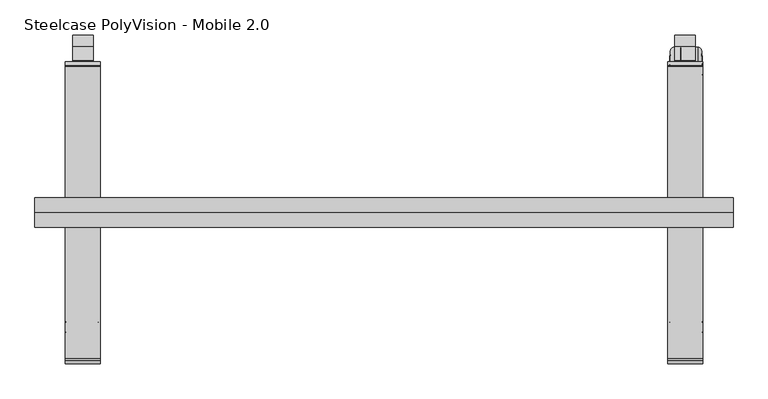
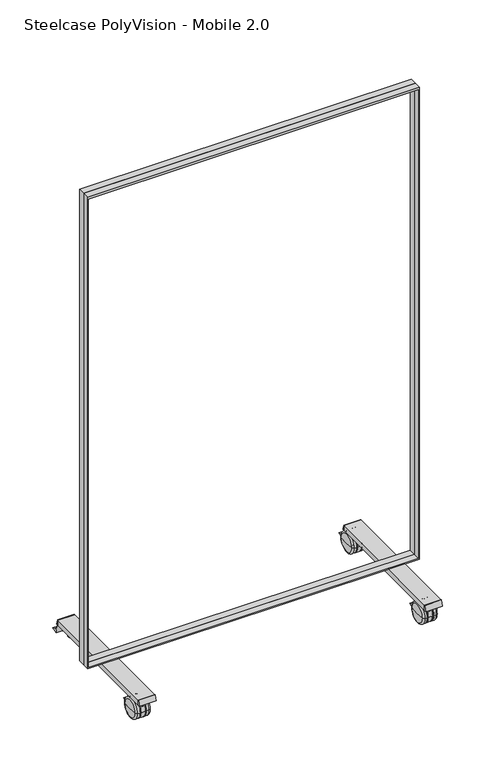
"""IFC4 building model written with IfcOpenShell, lengths in millimetres: furniture geometry, Steelcase PolyVision - Mobile 2.0."""

from ifc_helpers import new_model, si_unit, point, frame, frame_2d, origin, place, context, project, spatial, polyline, circle_curve, ellipse_curve, trimmed, segment, composite_curve, outline, extrude, source, transform, mapped, element, save
from ifc_brep_helpers import plane_surface, cylinder_surface, revolved_surface, advanced_brep


def steelcase_polyvision_mobile_2_0_7c7a96f6(model_context):
    return source(origin(), model_context, "Body", "SolidModel", [
        extrude(outline(polyline([(-252.1485489, 112.2079402), (-250.0820584, 112.2079402), (-250.0820584, 92.9149329), (-258.1616607, 92.9149329), (-252.1485489, 112.2079402)])), frame((1056.5045286, 0.0, 0.0), z_axis=(1.0, 0.0, 0.0), x_axis=(0.0, 1.0, 0.0)), (0.0, 0.0, 1.0), 59.8998322),
        extrude(outline(polyline([(252.1485489, 112.2079402), (258.1616607, 92.9149329), (250.0820584, 92.9149329), (250.0820584, 112.2079402), (252.1485489, 112.2079402)])), frame((1056.5045286, 0.0, 0.0), z_axis=(1.0, 0.0, 0.0), x_axis=(0.0, 1.0, 0.0)), (0.0, 0.0, 1.0), 59.8998322),
        extrude(outline(polyline([(-252.1485489, 112.2079402), (-250.0820584, 112.2079402), (-250.0820584, 92.9149329), (-258.1616607, 92.9149329), (-252.1485489, 112.2079402)])), frame((26.5956392, 0.0, 0.0), z_axis=(1.0, 0.0, 0.0), x_axis=(0.0, 1.0, 0.0)), (0.0, 0.0, 1.0), 59.8998322),
        extrude(outline(polyline([(252.1485489, 112.2079402), (258.1616607, 92.9149329), (250.0820584, 92.9149329), (250.0820584, 112.2079402), (252.1485489, 112.2079402)])), frame((26.5956392, 0.0, 0.0), z_axis=(1.0, 0.0, 0.0), x_axis=(0.0, 1.0, 0.0)), (0.0, 0.0, 1.0), 59.8998322),
        extrude(outline(polyline([(1904.7330861, 1168.4), (1904.7330861, -25.4), (112.2080129, -25.4), (112.2080129, 1168.4), (1904.7330861, 1168.4)]), holes=[polyline([(1902.5187561, 1164.4976219), (116.502603, 1164.4976219), (116.502603, -21.4954418), (1902.5187561, -21.4954418), (1902.5187561, 1164.4976219)])]), frame((0.0, 0.0, 0.0), z_axis=(0.0, 1.0, 0.0), x_axis=(0.0, 0.0, 1.0)), (0.0, 0.0, 1.0), 25.4),
        extrude(outline(polyline([(1904.7330861, 1168.4), (1904.7330861, -25.4), (112.2080129, -25.4), (112.2080129, 1168.4), (1904.7330861, 1168.4)]), holes=[polyline([(1897.001651, 1164.4976219), (116.502603, 1164.4976219), (116.502603, -21.4954418), (1897.001651, -21.4954418), (1897.001651, 1164.4976219)])]), frame((0.0, -25.4, 0.0), z_axis=(0.0, 1.0, 0.0), x_axis=(0.0, 0.0, 1.0)), (0.0, 0.0, 1.0), 25.4),
        extrude(outline(polyline([(86.4954714, 250.0820584), (86.4954714, -250.0820584), (26.5956392, -250.0820584), (26.5956392, 250.0820584), (86.4954714, 250.0820584)])), frame((0.0, 0.0, 92.9149329), z_axis=(0.0, 0.0, 1.0), x_axis=(1.0, 0.0, 0.0)), (0.0, 0.0, 1.0), 19.2930073),
        extrude(outline(polyline([(1056.5045286, 250.0820584), (1116.4043608, 250.0820584), (1116.4043608, -250.0820584), (1056.5045286, -250.0820584), (1056.5045286, 250.0820584)])), frame((0.0, 0.0, 92.9149329), z_axis=(0.0, 0.0, 1.0), x_axis=(1.0, 0.0, 0.0)), (0.0, 0.0, 1.0), 19.2930073),
        extrude(outline(composite_curve([segment(polyline([(303.5532187, 46.8628085), (283.0863741, 39.4134863)]), True, "CONTINUOUS"), segment(trimmed(circle_curve(frame_2d((242.8244884, 45.2702868)), 40.6856431), [point((283.0863741, 39.4134863))], [point((256.8293865, 83.4695589))], True, "CARTESIAN"), True, "CONTINUOUS"), segment(polyline([(256.8293865, 83.4695589), (259.261698, 85.9018704)]), True, "CONTINUOUS"), segment(trimmed(circle_curve(frame_2d((237.9340917, 43.4522199)), 47.5062061), [point((259.261698, 85.9018704))], [point((284.2824211, 53.8768052))], False, "CARTESIAN"), True, "CONTINUOUS"), segment(polyline([(284.2824211, 53.8768052), (303.5532187, 46.8628085)]), True, "CONTINUOUS")], self_intersect=False)), frame((1069.0294365, 0.0, 0.0), z_axis=(1.0, 0.0, 0.0), x_axis=(0.0, 1.0, 0.0)), (0.0, 0.0, 1.0), 34.4931947),
        extrude(outline(composite_curve([segment(polyline([(-136.9327635, 46.8628085), (-157.3996081, 39.4134863)]), True, "CONTINUOUS"), segment(trimmed(circle_curve(frame_2d((-197.6614938, 45.2702868)), 40.6856431), [point((-157.3996081, 39.4134863))], [point((-183.6565957, 83.4695589))], True, "CARTESIAN"), True, "CONTINUOUS"), segment(polyline([(-183.6565957, 83.4695589), (-181.2242842, 85.9018704)]), True, "CONTINUOUS"), segment(trimmed(circle_curve(frame_2d((-202.5518905, 43.4522199)), 47.5062061), [point((-181.2242842, 85.9018704))], [point((-156.2035611, 53.8768052))], False, "CARTESIAN"), True, "CONTINUOUS"), segment(polyline([(-156.2035611, 53.8768052), (-136.9327635, 46.8628085)]), True, "CONTINUOUS")], self_intersect=False)), frame((1069.0294365, 0.0, 0.0), z_axis=(1.0, 0.0, 0.0), x_axis=(0.0, 1.0, 0.0)), (0.0, 0.0, 1.0), 34.4931947),
        extrude(outline(composite_curve([segment(trimmed(circle_curve(frame_2d((1087.9769057, -219.8764715)), 5.1137798), [point((1093.0906855, -219.8764715))], [point((1082.8631259, -219.8764715))], False, "CARTESIAN"), True, "CONTINUOUS"), segment(trimmed(circle_curve(frame_2d((1087.9769057, -219.8764715)), 5.1137798), [point((1082.8631259, -219.8764715))], [point((1093.0906855, -219.8764715))], False, "CARTESIAN"), True, "CONTINUOUS")], self_intersect=False)), frame((0.0, 0.0, 85.6099876), z_axis=(0.0, 0.0, 1.0), x_axis=(1.0, 0.0, 0.0)), (0.0, 0.0, 1.0), 20.9669875),
        extrude(outline(composite_curve([segment(trimmed(circle_curve(frame_2d((1087.9769057, -219.8764715)), 8.9701889), [point((1096.9470946, -219.8764715))], [point((1079.0067168, -219.8764715))], False, "CARTESIAN"), True, "CONTINUOUS"), segment(trimmed(circle_curve(frame_2d((1087.9769057, -219.8764715)), 8.9701889), [point((1079.0067168, -219.8764715))], [point((1096.9470946, -219.8764715))], False, "CARTESIAN"), True, "CONTINUOUS")], self_intersect=False)), frame((0.0, 0.0, 60.643802), z_axis=(0.0, 0.0, 1.0), x_axis=(1.0, 0.0, 0.0)), (0.0, 0.0, 1.0), 24.9661857),
        advanced_brep(
        [(1059.0212011, -195.8334623, 47.4850861), (1061.2649224, -163.7467523, 47.4850861), (1061.2649224, -227.9201724, 47.4850861), (1067.5994541, -157.8397059, 47.4850861), (1067.5994541, -233.8272188, 47.4850861), (1075.7722753, -157.8397059, 47.4850861), (1075.7722753, -233.8272188, 47.4850861), (1075.7722753, -181.8090681, 47.4850861), (1075.7722753, -209.8578566, 47.4850861), (1078.4605537, -181.8090681, 47.4850861), (1078.4605537, -209.8578566, 47.4850861), (1078.4605537, -158.9018726, 47.4850861), (1078.4605537, -232.7650521, 47.4850861), (1079.5227204, -157.8397059, 47.4850861), (1079.5227204, -233.8272188, 47.4850861), (1095.0162074, -157.8397059, 47.4850861), (1095.0162074, -233.8272188, 47.4850861), (1097.7887281, -160.6122266, 47.4850861), (1097.7887281, -231.0546981, 47.4850861), (1097.7887281, -181.8090681, 47.4850861), (1097.7887281, -209.8578566, 47.4850861), (1100.4741761, -181.8090681, 47.4850861), (1100.4741761, -209.8578566, 47.4850861), (1100.4741761, -157.8397059, 47.4850861), (1100.4741761, -233.8272188, 47.4850861), (1108.2322518, -157.8397059, 47.4850861), (1108.2322518, -233.8272188, 47.4850861), (1114.5667835, -163.7467523, 47.4850861), (1114.5667835, -227.9201724, 47.4850861), (1116.8105049, -195.8334623, 47.4850861)],
        [
            (0, 1),
            (1, 2, circle_curve(frame((1061.2649224, -195.8334623, 47.4850861), z_axis=(-1.0, 0.0, 0.0), x_axis=(0.0, 1.0, 0.0)), 32.0867101)),
            (2, 0),
            (2, 1, circle_curve(frame((1061.2649224, -195.8334623, 47.4850861), z_axis=(-1.0, 0.0, 0.0), x_axis=(0.0, 1.0, 0.0)), 32.0867101)),
            (1, 3, circle_curve(frame((1067.5994541, -164.1897059, 47.4850861), z_axis=(0.0, 0.0, -1.0), x_axis=(-1.0, 0.0, 0.0)), 6.35)),
            (3, 4, circle_curve(frame((1067.5994541, -195.8334623, 47.4850861), z_axis=(-1.0, 0.0, 0.0), x_axis=(0.0, 1.0, 0.0)), 37.9937565)),
            (4, 2, circle_curve(frame((1067.5994541, -227.4772188, 47.4850861), z_axis=(0.0, 0.0, -1.0), x_axis=(-1.0, 0.0, 0.0)), 6.35)),
            (4, 3, circle_curve(frame((1067.5994541, -195.8334623, 47.4850861), z_axis=(-1.0, 0.0, 0.0), x_axis=(0.0, 1.0, 0.0)), 37.9937565)),
            (3, 5),
            (5, 6, circle_curve(frame((1075.7722753, -195.8334623, 47.4850861), z_axis=(-1.0, 0.0, 0.0), x_axis=(0.0, 1.0, 0.0)), 37.9937565)),
            (6, 4),
            (6, 5, circle_curve(frame((1075.7722753, -195.8334623, 47.4850861), z_axis=(-1.0, 0.0, 0.0), x_axis=(0.0, 1.0, 0.0)), 37.9937565)),
            (5, 7),
            (7, 8, circle_curve(frame((1075.7722753, -195.8334623, 47.4850861), z_axis=(-1.0, 0.0, 0.0), x_axis=(0.0, 1.0, 0.0)), 14.0243942)),
            (8, 6),
            (8, 7, circle_curve(frame((1075.7722753, -195.8334623, 47.4850861), z_axis=(-1.0, 0.0, 0.0), x_axis=(0.0, 1.0, 0.0)), 14.0243942)),
            (7, 9),
            (9, 10, circle_curve(frame((1078.4605537, -195.8334623, 47.4850861), z_axis=(-1.0, 0.0, 0.0), x_axis=(0.0, 1.0, 0.0)), 14.0243942)),
            (10, 8),
            (10, 9, circle_curve(frame((1078.4605537, -195.8334623, 47.4850861), z_axis=(-1.0, 0.0, 0.0), x_axis=(0.0, 1.0, 0.0)), 14.0243942)),
            (9, 11),
            (11, 12, circle_curve(frame((1078.4605537, -195.8334623, 47.4850861), z_axis=(-1.0, 0.0, 0.0), x_axis=(0.0, 1.0, 0.0)), 36.9315898)),
            (12, 10),
            (12, 11, circle_curve(frame((1078.4605537, -195.8334623, 47.4850861), z_axis=(-1.0, 0.0, 0.0), x_axis=(0.0, 1.0, 0.0)), 36.9315898)),
            (11, 13, circle_curve(frame((1079.5227204, -158.9018726, 47.4850861), z_axis=(0.0, 0.0, -1.0), x_axis=(-1.0, 0.0, 0.0)), 1.0621667)),
            (13, 14, circle_curve(frame((1079.5227204, -195.8334623, 47.4850861), z_axis=(-1.0, 0.0, 0.0), x_axis=(0.0, 1.0, 0.0)), 37.9937565)),
            (14, 12, circle_curve(frame((1079.5227204, -232.7650521, 47.4850861), z_axis=(0.0, 0.0, -1.0), x_axis=(-1.0, 0.0, 0.0)), 1.0621667)),
            (14, 13, circle_curve(frame((1079.5227204, -195.8334623, 47.4850861), z_axis=(-1.0, 0.0, 0.0), x_axis=(0.0, 1.0, 0.0)), 37.9937565)),
            (13, 15),
            (15, 16, circle_curve(frame((1095.0162074, -195.8334623, 47.4850861), z_axis=(-1.0, 0.0, 0.0), x_axis=(0.0, 1.0, 0.0)), 37.9937565)),
            (16, 14),
            (16, 15, circle_curve(frame((1095.0162074, -195.8334623, 47.4850861), z_axis=(-1.0, 0.0, 0.0), x_axis=(0.0, 1.0, 0.0)), 37.9937565)),
            (15, 17, circle_curve(frame((1095.0162074, -160.6122266, 47.4850861), z_axis=(0.0, 0.0, -1.0), x_axis=(-1.0, 0.0, 0.0)), 2.7725208)),
            (17, 18, circle_curve(frame((1097.7887281, -195.8334623, 47.4850861), z_axis=(-1.0, 0.0, 0.0), x_axis=(0.0, 1.0, 0.0)), 35.2212357)),
            (18, 16, circle_curve(frame((1095.0162074, -231.0546981, 47.4850861), z_axis=(0.0, 0.0, -1.0), x_axis=(-1.0, 0.0, 0.0)), 2.7725208)),
            (18, 17, circle_curve(frame((1097.7887281, -195.8334623, 47.4850861), z_axis=(-1.0, 0.0, 0.0), x_axis=(0.0, 1.0, 0.0)), 35.2212357)),
            (17, 19),
            (19, 20, circle_curve(frame((1097.7887281, -195.8334623, 47.4850861), z_axis=(-1.0, 0.0, 0.0), x_axis=(0.0, 1.0, 0.0)), 14.0243942)),
            (20, 18),
            (20, 19, circle_curve(frame((1097.7887281, -195.8334623, 47.4850861), z_axis=(-1.0, 0.0, 0.0), x_axis=(0.0, 1.0, 0.0)), 14.0243942)),
            (19, 21),
            (21, 22, circle_curve(frame((1100.4741761, -195.8334623, 47.4850861), z_axis=(-1.0, 0.0, 0.0), x_axis=(0.0, 1.0, 0.0)), 14.0243942)),
            (22, 20),
            (22, 21, circle_curve(frame((1100.4741761, -195.8334623, 47.4850861), z_axis=(-1.0, 0.0, 0.0), x_axis=(0.0, 1.0, 0.0)), 14.0243942)),
            (21, 23),
            (23, 24, circle_curve(frame((1100.4741761, -195.8334623, 47.4850861), z_axis=(-1.0, 0.0, 0.0), x_axis=(0.0, 1.0, 0.0)), 37.9937565)),
            (24, 22),
            (24, 23, circle_curve(frame((1100.4741761, -195.8334623, 47.4850861), z_axis=(-1.0, 0.0, 0.0), x_axis=(0.0, 1.0, 0.0)), 37.9937565)),
            (23, 25),
            (25, 26, circle_curve(frame((1108.2322518, -195.8334623, 47.4850861), z_axis=(-1.0, 0.0, 0.0), x_axis=(0.0, 1.0, 0.0)), 37.9937565)),
            (26, 24),
            (26, 25, circle_curve(frame((1108.2322518, -195.8334623, 47.4850861), z_axis=(-1.0, 0.0, 0.0), x_axis=(0.0, 1.0, 0.0)), 37.9937565)),
            (25, 27, circle_curve(frame((1108.2322518, -164.1897059, 47.4850861), z_axis=(0.0, 0.0, -1.0), x_axis=(-1.0, 0.0, 0.0)), 6.35)),
            (27, 28, circle_curve(frame((1114.5667835, -195.8334623, 47.4850861), z_axis=(-1.0, 0.0, 0.0), x_axis=(0.0, 1.0, 0.0)), 32.0867101)),
            (28, 26, circle_curve(frame((1108.2322518, -227.4772188, 47.4850861), z_axis=(0.0, 0.0, -1.0), x_axis=(-1.0, 0.0, 0.0)), 6.35)),
            (28, 27, circle_curve(frame((1114.5667835, -195.8334623, 47.4850861), z_axis=(-1.0, 0.0, 0.0), x_axis=(0.0, 1.0, 0.0)), 32.0867101)),
            (27, 29),
            (29, 28),
        ],
        [
            revolved_surface(polyline([(1061.2649224, -163.7467523, 47.4850861), (1059.0212011, -195.8334623, 47.4850861)]), (1105.0669811, -195.8334623, 47.4850861), (-1.0, 0.0, 0.0)),
            revolved_surface(trimmed(ellipse_curve(frame((1067.5994541, -164.1897059, 47.4850861), z_axis=(0.0, 0.0, 1.0), x_axis=(-1.0, 0.0, 0.0)), 6.35, 6.35), [point((1067.5994541, -157.8397059, 47.4850861))], [point((1061.2649224, -163.7467523, 47.4850861))], True, "CARTESIAN"), (1105.0669811, -195.8334623, 47.4850861), (-1.0, 0.0, 0.0)),
            cylinder_surface(frame((1105.0669811, -195.8334623, 47.4850861), z_axis=(-1.0, 0.0, 0.0), x_axis=(0.0, 1.0, 0.0)), 37.9937565),
            plane_surface(frame((1075.7722753, -195.8334623, 47.4850861), z_axis=(1.0, 0.0, 0.0), x_axis=(0.0, 1.0, 0.0))),
            cylinder_surface(frame((1105.0669811, -195.8334623, 47.4850861), z_axis=(-1.0, 0.0, 0.0), x_axis=(0.0, 1.0, 0.0)), 14.0243942),
            plane_surface(frame((1078.4605537, -195.8334623, 47.4850861), z_axis=(-1.0, 0.0, 0.0), x_axis=(0.0, 1.0, 0.0))),
            revolved_surface(trimmed(ellipse_curve(frame((1079.5227204, -158.9018726, 47.4850861), z_axis=(0.0, 0.0, 1.0), x_axis=(-1.0, 0.0, 0.0)), 1.0621667, 1.0621667), [point((1079.5227204, -157.8397059, 47.4850861))], [point((1078.4605537, -158.9018726, 47.4850861))], True, "CARTESIAN"), (1105.0669811, -195.8334623, 47.4850861), (-1.0, 0.0, 0.0)),
            revolved_surface(trimmed(ellipse_curve(frame((1095.0162074, -160.6122266, 47.4850861), z_axis=(0.0, 0.0, 1.0), x_axis=(-1.0, 0.0, 0.0)), 2.7725208, 2.7725208), [point((1097.7887281, -160.6122266, 47.4850861))], [point((1095.0162074, -157.8397059, 47.4850861))], True, "CARTESIAN"), (1105.0669811, -195.8334623, 47.4850861), (-1.0, 0.0, 0.0)),
            plane_surface(frame((1097.7887281, -195.8334623, 47.4850861), z_axis=(1.0, 0.0, 0.0), x_axis=(0.0, 1.0, 0.0))),
            plane_surface(frame((1100.4741761, -195.8334623, 47.4850861), z_axis=(-1.0, 0.0, 0.0), x_axis=(0.0, 1.0, 0.0))),
            revolved_surface(trimmed(ellipse_curve(frame((1108.2322518, -164.1897059, 47.4850861), z_axis=(0.0, 0.0, 1.0), x_axis=(-1.0, 0.0, 0.0)), 6.35, 6.35), [point((1114.5667835, -163.7467523, 47.4850861))], [point((1108.2322518, -157.8397059, 47.4850861))], True, "CARTESIAN"), (1105.0669811, -195.8334623, 47.4850861), (-1.0, 0.0, 0.0)),
            revolved_surface(polyline([(1116.8105049, -195.8334623, 47.4850861), (1114.5667835, -163.7467523, 47.4850861)]), (1105.0669811, -195.8334623, 47.4850861), (-1.0, 0.0, 0.0)),
        ],
        [
            (0, [[1, 2, 3]]),
            (0, [[-3, 4, -1]]),
            (1, [[-2, 5, 6, 7]]),
            (1, [[-4, -7, 8, -5]]),
            (2, [[-6, 9, 10, 11]]),
            (2, [[-8, -11, 12, -9]]),
            (3, [[-10, 13, 14, 15]]),
            (3, [[-12, -15, 16, -13]]),
            (4, [[-14, 17, 18, 19]]),
            (4, [[-16, -19, 20, -17]]),
            (5, [[-18, 21, 22, 23]]),
            (5, [[-20, -23, 24, -21]]),
            (6, [[-22, 25, 26, 27]]),
            (6, [[-24, -27, 28, -25]]),
            (2, [[-26, 29, 30, 31]]),
            (2, [[-28, -31, 32, -29]]),
            (7, [[-30, 33, 34, 35]]),
            (7, [[-32, -35, 36, -33]]),
            (8, [[-34, 37, 38, 39]]),
            (8, [[-36, -39, 40, -37]]),
            (4, [[-38, 41, 42, 43]]),
            (4, [[-40, -43, 44, -41]]),
            (9, [[-42, 45, 46, 47]]),
            (9, [[-44, -47, 48, -45]]),
            (2, [[-46, 49, 50, 51]]),
            (2, [[-48, -51, 52, -49]]),
            (10, [[-50, 53, 54, 55]]),
            (10, [[-52, -55, 56, -53]]),
            (11, [[-54, 57, 58]]),
            (11, [[-56, -58, -57]]),
        ],
    ),
        extrude(outline(composite_curve([segment(trimmed(circle_curve(frame_2d((1087.9769057, 220.6177148)), 5.1137798), [point((1093.0906855, 220.6177148))], [point((1082.8631259, 220.6177148))], False, "CARTESIAN"), True, "CONTINUOUS"), segment(trimmed(circle_curve(frame_2d((1087.9769057, 220.6177148)), 5.1137798), [point((1082.8631259, 220.6177148))], [point((1093.0906855, 220.6177148))], False, "CARTESIAN"), True, "CONTINUOUS")], self_intersect=False)), frame((0.0, 0.0, 85.6099876), z_axis=(0.0, 0.0, 1.0), x_axis=(1.0, 0.0, 0.0)), (0.0, 0.0, 1.0), 20.9669875),
        extrude(outline(composite_curve([segment(trimmed(circle_curve(frame_2d((1087.9769057, 220.6177148)), 8.9701889), [point((1096.9470946, 220.6177148))], [point((1079.0067168, 220.6177148))], False, "CARTESIAN"), True, "CONTINUOUS"), segment(trimmed(circle_curve(frame_2d((1087.9769057, 220.6177148)), 8.9701889), [point((1079.0067168, 220.6177148))], [point((1096.9470946, 220.6177148))], False, "CARTESIAN"), True, "CONTINUOUS")], self_intersect=False)), frame((0.0, 0.0, 60.643802), z_axis=(0.0, 0.0, 1.0), x_axis=(1.0, 0.0, 0.0)), (0.0, 0.0, 1.0), 24.9661857),
        advanced_brep(
        [(1059.0212011, 244.660724, 47.4850861), (1061.2649224, 276.7474341, 47.4850861), (1061.2649224, 212.5740139, 47.4850861), (1067.5994541, 282.6544805, 47.4850861), (1067.5994541, 206.6669675, 47.4850861), (1075.7722753, 282.6544805, 47.4850861), (1075.7722753, 206.6669675, 47.4850861), (1075.7722753, 258.6851183, 47.4850861), (1075.7722753, 230.6363298, 47.4850861), (1078.4605537, 258.6851183, 47.4850861), (1078.4605537, 230.6363298, 47.4850861), (1078.4605537, 281.5923138, 47.4850861), (1078.4605537, 207.7291343, 47.4850861), (1079.5227204, 282.6544805, 47.4850861), (1079.5227204, 206.6669675, 47.4850861), (1095.0162074, 282.6544805, 47.4850861), (1095.0162074, 206.6669675, 47.4850861), (1097.7887281, 279.8819597, 47.4850861), (1097.7887281, 209.4394883, 47.4850861), (1097.7887281, 258.6851183, 47.4850861), (1097.7887281, 230.6363298, 47.4850861), (1100.4741761, 258.6851183, 47.4850861), (1100.4741761, 230.6363298, 47.4850861), (1100.4741761, 282.6544805, 47.4850861), (1100.4741761, 206.6669675, 47.4850861), (1108.2322518, 282.6544805, 47.4850861), (1108.2322518, 206.6669675, 47.4850861), (1114.5667835, 276.7474341, 47.4850861), (1114.5667835, 212.5740139, 47.4850861), (1116.8105049, 244.660724, 47.4850861)],
        [
            (0, 1),
            (1, 2, circle_curve(frame((1061.2649224, 244.660724, 47.4850861), z_axis=(-1.0, 0.0, 0.0), x_axis=(0.0, 1.0, 0.0)), 32.0867101)),
            (2, 0),
            (2, 1, circle_curve(frame((1061.2649224, 244.660724, 47.4850861), z_axis=(-1.0, 0.0, 0.0), x_axis=(0.0, 1.0, 0.0)), 32.0867101)),
            (1, 3, circle_curve(frame((1067.5994541, 276.3044805, 47.4850861), z_axis=(0.0, 0.0, -1.0), x_axis=(-1.0, 0.0, 0.0)), 6.35)),
            (3, 4, circle_curve(frame((1067.5994541, 244.660724, 47.4850861), z_axis=(-1.0, 0.0, 0.0), x_axis=(0.0, 1.0, 0.0)), 37.9937565)),
            (4, 2, circle_curve(frame((1067.5994541, 213.0169675, 47.4850861), z_axis=(0.0, 0.0, -1.0), x_axis=(-1.0, 0.0, 0.0)), 6.35)),
            (4, 3, circle_curve(frame((1067.5994541, 244.660724, 47.4850861), z_axis=(-1.0, 0.0, 0.0), x_axis=(0.0, 1.0, 0.0)), 37.9937565)),
            (3, 5),
            (5, 6, circle_curve(frame((1075.7722753, 244.660724, 47.4850861), z_axis=(-1.0, 0.0, 0.0), x_axis=(0.0, 1.0, 0.0)), 37.9937565)),
            (6, 4),
            (6, 5, circle_curve(frame((1075.7722753, 244.660724, 47.4850861), z_axis=(-1.0, 0.0, 0.0), x_axis=(0.0, 1.0, 0.0)), 37.9937565)),
            (5, 7),
            (7, 8, circle_curve(frame((1075.7722753, 244.660724, 47.4850861), z_axis=(-1.0, 0.0, 0.0), x_axis=(0.0, 1.0, 0.0)), 14.0243942)),
            (8, 6),
            (8, 7, circle_curve(frame((1075.7722753, 244.660724, 47.4850861), z_axis=(-1.0, 0.0, 0.0), x_axis=(0.0, 1.0, 0.0)), 14.0243942)),
            (7, 9),
            (9, 10, circle_curve(frame((1078.4605537, 244.660724, 47.4850861), z_axis=(-1.0, 0.0, 0.0), x_axis=(0.0, 1.0, 0.0)), 14.0243942)),
            (10, 8),
            (10, 9, circle_curve(frame((1078.4605537, 244.660724, 47.4850861), z_axis=(-1.0, 0.0, 0.0), x_axis=(0.0, 1.0, 0.0)), 14.0243942)),
            (9, 11),
            (11, 12, circle_curve(frame((1078.4605537, 244.660724, 47.4850861), z_axis=(-1.0, 0.0, 0.0), x_axis=(0.0, 1.0, 0.0)), 36.9315898)),
            (12, 10),
            (12, 11, circle_curve(frame((1078.4605537, 244.660724, 47.4850861), z_axis=(-1.0, 0.0, 0.0), x_axis=(0.0, 1.0, 0.0)), 36.9315898)),
            (11, 13, circle_curve(frame((1079.5227204, 281.5923138, 47.4850861), z_axis=(0.0, 0.0, -1.0), x_axis=(-1.0, 0.0, 0.0)), 1.0621667)),
            (13, 14, circle_curve(frame((1079.5227204, 244.660724, 47.4850861), z_axis=(-1.0, 0.0, 0.0), x_axis=(0.0, 1.0, 0.0)), 37.9937565)),
            (14, 12, circle_curve(frame((1079.5227204, 207.7291343, 47.4850861), z_axis=(0.0, 0.0, -1.0), x_axis=(-1.0, 0.0, 0.0)), 1.0621667)),
            (14, 13, circle_curve(frame((1079.5227204, 244.660724, 47.4850861), z_axis=(-1.0, 0.0, 0.0), x_axis=(0.0, 1.0, 0.0)), 37.9937565)),
            (13, 15),
            (15, 16, circle_curve(frame((1095.0162074, 244.660724, 47.4850861), z_axis=(-1.0, 0.0, 0.0), x_axis=(0.0, 1.0, 0.0)), 37.9937565)),
            (16, 14),
            (16, 15, circle_curve(frame((1095.0162074, 244.660724, 47.4850861), z_axis=(-1.0, 0.0, 0.0), x_axis=(0.0, 1.0, 0.0)), 37.9937565)),
            (15, 17, circle_curve(frame((1095.0162074, 279.8819597, 47.4850861), z_axis=(0.0, 0.0, -1.0), x_axis=(-1.0, 0.0, 0.0)), 2.7725208)),
            (17, 18, circle_curve(frame((1097.7887281, 244.660724, 47.4850861), z_axis=(-1.0, 0.0, 0.0), x_axis=(0.0, 1.0, 0.0)), 35.2212357)),
            (18, 16, circle_curve(frame((1095.0162074, 209.4394883, 47.4850861), z_axis=(0.0, 0.0, -1.0), x_axis=(-1.0, 0.0, 0.0)), 2.7725208)),
            (18, 17, circle_curve(frame((1097.7887281, 244.660724, 47.4850861), z_axis=(-1.0, 0.0, 0.0), x_axis=(0.0, 1.0, 0.0)), 35.2212357)),
            (17, 19),
            (19, 20, circle_curve(frame((1097.7887281, 244.660724, 47.4850861), z_axis=(-1.0, 0.0, 0.0), x_axis=(0.0, 1.0, 0.0)), 14.0243942)),
            (20, 18),
            (20, 19, circle_curve(frame((1097.7887281, 244.660724, 47.4850861), z_axis=(-1.0, 0.0, 0.0), x_axis=(0.0, 1.0, 0.0)), 14.0243942)),
            (19, 21),
            (21, 22, circle_curve(frame((1100.4741761, 244.660724, 47.4850861), z_axis=(-1.0, 0.0, 0.0), x_axis=(0.0, 1.0, 0.0)), 14.0243942)),
            (22, 20),
            (22, 21, circle_curve(frame((1100.4741761, 244.660724, 47.4850861), z_axis=(-1.0, 0.0, 0.0), x_axis=(0.0, 1.0, 0.0)), 14.0243942)),
            (21, 23),
            (23, 24, circle_curve(frame((1100.4741761, 244.660724, 47.4850861), z_axis=(-1.0, 0.0, 0.0), x_axis=(0.0, 1.0, 0.0)), 37.9937565)),
            (24, 22),
            (24, 23, circle_curve(frame((1100.4741761, 244.660724, 47.4850861), z_axis=(-1.0, 0.0, 0.0), x_axis=(0.0, 1.0, 0.0)), 37.9937565)),
            (23, 25),
            (25, 26, circle_curve(frame((1108.2322518, 244.660724, 47.4850861), z_axis=(-1.0, 0.0, 0.0), x_axis=(0.0, 1.0, 0.0)), 37.9937565)),
            (26, 24),
            (26, 25, circle_curve(frame((1108.2322518, 244.660724, 47.4850861), z_axis=(-1.0, 0.0, 0.0), x_axis=(0.0, 1.0, 0.0)), 37.9937565)),
            (25, 27, circle_curve(frame((1108.2322518, 276.3044805, 47.4850861), z_axis=(0.0, 0.0, -1.0), x_axis=(-1.0, 0.0, 0.0)), 6.35)),
            (27, 28, circle_curve(frame((1114.5667835, 244.660724, 47.4850861), z_axis=(-1.0, 0.0, 0.0), x_axis=(0.0, 1.0, 0.0)), 32.0867101)),
            (28, 26, circle_curve(frame((1108.2322518, 213.0169675, 47.4850861), z_axis=(0.0, 0.0, -1.0), x_axis=(-1.0, 0.0, 0.0)), 6.35)),
            (28, 27, circle_curve(frame((1114.5667835, 244.660724, 47.4850861), z_axis=(-1.0, 0.0, 0.0), x_axis=(0.0, 1.0, 0.0)), 32.0867101)),
            (27, 29),
            (29, 28),
        ],
        [
            revolved_surface(polyline([(1061.2649224, 276.7474341, 47.4850861), (1059.0212011, 244.660724, 47.4850861)]), (1105.0669811, 244.660724, 47.4850861), (-1.0, 0.0, 0.0)),
            revolved_surface(trimmed(ellipse_curve(frame((1067.5994541, 276.3044805, 47.4850861), z_axis=(0.0, 0.0, 1.0), x_axis=(-1.0, 0.0, 0.0)), 6.35, 6.35), [point((1067.5994541, 282.6544805, 47.4850861))], [point((1061.2649224, 276.7474341, 47.4850861))], True, "CARTESIAN"), (1105.0669811, 244.660724, 47.4850861), (-1.0, 0.0, 0.0)),
            cylinder_surface(frame((1105.0669811, 244.660724, 47.4850861), z_axis=(-1.0, 0.0, 0.0), x_axis=(0.0, 1.0, 0.0)), 37.9937565),
            plane_surface(frame((1075.7722753, 244.660724, 47.4850861), z_axis=(1.0, 0.0, 0.0), x_axis=(0.0, 1.0, 0.0))),
            cylinder_surface(frame((1105.0669811, 244.660724, 47.4850861), z_axis=(-1.0, 0.0, 0.0), x_axis=(0.0, 1.0, 0.0)), 14.0243942),
            plane_surface(frame((1078.4605537, 244.660724, 47.4850861), z_axis=(-1.0, 0.0, 0.0), x_axis=(0.0, 1.0, 0.0))),
            revolved_surface(trimmed(ellipse_curve(frame((1079.5227204, 281.5923138, 47.4850861), z_axis=(0.0, 0.0, 1.0), x_axis=(-1.0, 0.0, 0.0)), 1.0621667, 1.0621667), [point((1079.5227204, 282.6544805, 47.4850861))], [point((1078.4605537, 281.5923138, 47.4850861))], True, "CARTESIAN"), (1105.0669811, 244.660724, 47.4850861), (-1.0, 0.0, 0.0)),
            revolved_surface(trimmed(ellipse_curve(frame((1095.0162074, 279.8819597, 47.4850861), z_axis=(0.0, 0.0, 1.0), x_axis=(-1.0, 0.0, 0.0)), 2.7725208, 2.7725208), [point((1097.7887281, 279.8819597, 47.4850861))], [point((1095.0162074, 282.6544805, 47.4850861))], True, "CARTESIAN"), (1105.0669811, 244.660724, 47.4850861), (-1.0, 0.0, 0.0)),
            plane_surface(frame((1097.7887281, 244.660724, 47.4850861), z_axis=(1.0, 0.0, 0.0), x_axis=(0.0, 1.0, 0.0))),
            plane_surface(frame((1100.4741761, 244.660724, 47.4850861), z_axis=(-1.0, 0.0, 0.0), x_axis=(0.0, 1.0, 0.0))),
            revolved_surface(trimmed(ellipse_curve(frame((1108.2322518, 276.3044805, 47.4850861), z_axis=(0.0, 0.0, 1.0), x_axis=(-1.0, 0.0, 0.0)), 6.35, 6.35), [point((1114.5667835, 276.7474341, 47.4850861))], [point((1108.2322518, 282.6544805, 47.4850861))], True, "CARTESIAN"), (1105.0669811, 244.660724, 47.4850861), (-1.0, 0.0, 0.0)),
            revolved_surface(polyline([(1116.8105049, 244.660724, 47.4850861), (1114.5667835, 276.7474341, 47.4850861)]), (1105.0669811, 244.660724, 47.4850861), (-1.0, 0.0, 0.0)),
        ],
        [
            (0, [[1, 2, 3]]),
            (0, [[-3, 4, -1]]),
            (1, [[-2, 5, 6, 7]]),
            (1, [[-4, -7, 8, -5]]),
            (2, [[-6, 9, 10, 11]]),
            (2, [[-8, -11, 12, -9]]),
            (3, [[-10, 13, 14, 15]]),
            (3, [[-12, -15, 16, -13]]),
            (4, [[-14, 17, 18, 19]]),
            (4, [[-16, -19, 20, -17]]),
            (5, [[-18, 21, 22, 23]]),
            (5, [[-20, -23, 24, -21]]),
            (6, [[-22, 25, 26, 27]]),
            (6, [[-24, -27, 28, -25]]),
            (2, [[-26, 29, 30, 31]]),
            (2, [[-28, -31, 32, -29]]),
            (7, [[-30, 33, 34, 35]]),
            (7, [[-32, -35, 36, -33]]),
            (8, [[-34, 37, 38, 39]]),
            (8, [[-36, -39, 40, -37]]),
            (4, [[-38, 41, 42, 43]]),
            (4, [[-40, -43, 44, -41]]),
            (9, [[-42, 45, 46, 47]]),
            (9, [[-44, -47, 48, -45]]),
            (2, [[-46, 49, 50, 51]]),
            (2, [[-48, -51, 52, -49]]),
            (10, [[-50, 53, 54, 55]]),
            (10, [[-52, -55, 56, -53]]),
            (11, [[-54, 57, 58]]),
            (11, [[-56, -58, -57]]),
        ],
    ),
        extrude(outline(composite_curve([segment(polyline([(303.5532187, 46.8628085), (283.0863741, 39.4134863)]), True, "CONTINUOUS"), segment(trimmed(circle_curve(frame_2d((242.8244884, 45.2702868)), 40.6856431), [point((283.0863741, 39.4134863))], [point((256.8293865, 83.4695589))], True, "CARTESIAN"), True, "CONTINUOUS"), segment(polyline([(256.8293865, 83.4695589), (259.261698, 85.9018704)]), True, "CONTINUOUS"), segment(trimmed(circle_curve(frame_2d((237.9340917, 43.4522199)), 47.5062061), [point((259.261698, 85.9018704))], [point((284.2824211, 53.8768052))], False, "CARTESIAN"), True, "CONTINUOUS"), segment(polyline([(284.2824211, 53.8768052), (303.5532187, 46.8628085)]), True, "CONTINUOUS")], self_intersect=False)), frame((39.4773688, 0.0, 0.0), z_axis=(1.0, 0.0, 0.0), x_axis=(0.0, 1.0, 0.0)), (0.0, 0.0, 1.0), 34.4931947),
        extrude(outline(composite_curve([segment(polyline([(-136.9327635, 46.8628085), (-157.3996081, 39.4134863)]), True, "CONTINUOUS"), segment(trimmed(circle_curve(frame_2d((-197.6614938, 45.2702868)), 40.6856431), [point((-157.3996081, 39.4134863))], [point((-183.6565957, 83.4695589))], True, "CARTESIAN"), True, "CONTINUOUS"), segment(polyline([(-183.6565957, 83.4695589), (-181.2242842, 85.9018704)]), True, "CONTINUOUS"), segment(trimmed(circle_curve(frame_2d((-202.5518905, 43.4522199)), 47.5062061), [point((-181.2242842, 85.9018704))], [point((-156.2035611, 53.8768052))], False, "CARTESIAN"), True, "CONTINUOUS"), segment(polyline([(-156.2035611, 53.8768052), (-136.9327635, 46.8628085)]), True, "CONTINUOUS")], self_intersect=False)), frame((39.4773688, 0.0, 0.0), z_axis=(1.0, 0.0, 0.0), x_axis=(0.0, 1.0, 0.0)), (0.0, 0.0, 1.0), 34.4931947),
        extrude(outline(composite_curve([segment(trimmed(circle_curve(frame_2d((55.0230943, -219.8764715)), 5.1137798), [point((49.9093145, -219.8764715))], [point((60.1368741, -219.8764715))], False, "CARTESIAN"), True, "CONTINUOUS"), segment(trimmed(circle_curve(frame_2d((55.0230943, -219.8764715)), 5.1137798), [point((60.1368741, -219.8764715))], [point((49.9093145, -219.8764715))], False, "CARTESIAN"), True, "CONTINUOUS")], self_intersect=False)), frame((0.0, 0.0, 85.6099876), z_axis=(0.0, 0.0, 1.0), x_axis=(1.0, 0.0, 0.0)), (0.0, 0.0, 1.0), 20.9669875),
        extrude(outline(composite_curve([segment(trimmed(circle_curve(frame_2d((55.0230943, -219.8764715)), 8.9701889), [point((46.0529054, -219.8764715))], [point((63.9932832, -219.8764715))], False, "CARTESIAN"), True, "CONTINUOUS"), segment(trimmed(circle_curve(frame_2d((55.0230943, -219.8764715)), 8.9701889), [point((63.9932832, -219.8764715))], [point((46.0529054, -219.8764715))], False, "CARTESIAN"), True, "CONTINUOUS")], self_intersect=False)), frame((0.0, 0.0, 60.643802), z_axis=(0.0, 0.0, 1.0), x_axis=(1.0, 0.0, 0.0)), (0.0, 0.0, 1.0), 24.9661857),
        advanced_brep(
        [(81.7350776, -227.9201724, 47.4850861), (81.7350776, -163.7467523, 47.4850861), (83.9787989, -195.8334623, 47.4850861), (75.4005459, -233.8272188, 47.4850861), (75.4005459, -157.8397059, 47.4850861), (67.2277247, -233.8272188, 47.4850861), (67.2277247, -157.8397059, 47.4850861), (67.2277247, -209.8578566, 47.4850861), (67.2277247, -181.8090681, 47.4850861), (64.5394463, -209.8578566, 47.4850861), (64.5394463, -181.8090681, 47.4850861), (64.5394463, -232.7650521, 47.4850861), (64.5394463, -158.9018726, 47.4850861), (63.4772796, -233.8272188, 47.4850861), (63.4772796, -157.8397059, 47.4850861), (47.9837926, -233.8272188, 47.4850861), (47.9837926, -157.8397059, 47.4850861), (45.2112719, -231.0546981, 47.4850861), (45.2112719, -160.6122266, 47.4850861), (45.2112719, -209.8578566, 47.4850861), (45.2112719, -181.8090681, 47.4850861), (42.5258239, -209.8578566, 47.4850861), (42.5258239, -181.8090681, 47.4850861), (42.5258239, -233.8272188, 47.4850861), (42.5258239, -157.8397059, 47.4850861), (34.7677482, -233.8272188, 47.4850861), (34.7677482, -157.8397059, 47.4850861), (28.4332165, -227.9201724, 47.4850861), (28.4332165, -163.7467523, 47.4850861), (26.1894951, -195.8334623, 47.4850861)],
        [
            (0, 1, circle_curve(frame((81.7350776, -195.8334623, 47.4850861), z_axis=(1.0, 0.0, 0.0), x_axis=(0.0, 1.0, 0.0)), 32.0867101)),
            (1, 2),
            (2, 0),
            (1, 0, circle_curve(frame((81.7350776, -195.8334623, 47.4850861), z_axis=(1.0, 0.0, 0.0), x_axis=(0.0, 1.0, 0.0)), 32.0867101)),
            (3, 4, circle_curve(frame((75.4005459, -195.8334623, 47.4850861), z_axis=(1.0, 0.0, 0.0), x_axis=(0.0, 1.0, 0.0)), 37.9937565)),
            (4, 1, circle_curve(frame((75.4005459, -164.1897059, 47.4850861), z_axis=(0.0, 0.0, -1.0), x_axis=(1.0, 0.0, 0.0)), 6.35)),
            (0, 3, circle_curve(frame((75.4005459, -227.4772188, 47.4850861), z_axis=(0.0, 0.0, -1.0), x_axis=(1.0, 0.0, 0.0)), 6.35)),
            (4, 3, circle_curve(frame((75.4005459, -195.8334623, 47.4850861), z_axis=(1.0, 0.0, 0.0), x_axis=(0.0, 1.0, 0.0)), 37.9937565)),
            (5, 6, circle_curve(frame((67.2277247, -195.8334623, 47.4850861), z_axis=(1.0, 0.0, 0.0), x_axis=(0.0, 1.0, 0.0)), 37.9937565)),
            (6, 4),
            (3, 5),
            (6, 5, circle_curve(frame((67.2277247, -195.8334623, 47.4850861), z_axis=(1.0, 0.0, 0.0), x_axis=(0.0, 1.0, 0.0)), 37.9937565)),
            (7, 8, circle_curve(frame((67.2277247, -195.8334623, 47.4850861), z_axis=(1.0, 0.0, 0.0), x_axis=(0.0, 1.0, 0.0)), 14.0243942)),
            (8, 6),
            (5, 7),
            (8, 7, circle_curve(frame((67.2277247, -195.8334623, 47.4850861), z_axis=(1.0, 0.0, 0.0), x_axis=(0.0, 1.0, 0.0)), 14.0243942)),
            (9, 10, circle_curve(frame((64.5394463, -195.8334623, 47.4850861), z_axis=(1.0, 0.0, 0.0), x_axis=(0.0, 1.0, 0.0)), 14.0243942)),
            (10, 8),
            (7, 9),
            (10, 9, circle_curve(frame((64.5394463, -195.8334623, 47.4850861), z_axis=(1.0, 0.0, 0.0), x_axis=(0.0, 1.0, 0.0)), 14.0243942)),
            (11, 12, circle_curve(frame((64.5394463, -195.8334623, 47.4850861), z_axis=(1.0, 0.0, 0.0), x_axis=(0.0, 1.0, 0.0)), 36.9315898)),
            (12, 10),
            (9, 11),
            (12, 11, circle_curve(frame((64.5394463, -195.8334623, 47.4850861), z_axis=(1.0, 0.0, 0.0), x_axis=(0.0, 1.0, 0.0)), 36.9315898)),
            (13, 14, circle_curve(frame((63.4772796, -195.8334623, 47.4850861), z_axis=(1.0, 0.0, 0.0), x_axis=(0.0, 1.0, 0.0)), 37.9937565)),
            (14, 12, circle_curve(frame((63.4772796, -158.9018726, 47.4850861), z_axis=(0.0, 0.0, -1.0), x_axis=(1.0, 0.0, 0.0)), 1.0621667)),
            (11, 13, circle_curve(frame((63.4772796, -232.7650521, 47.4850861), z_axis=(0.0, 0.0, -1.0), x_axis=(1.0, 0.0, 0.0)), 1.0621667)),
            (14, 13, circle_curve(frame((63.4772796, -195.8334623, 47.4850861), z_axis=(1.0, 0.0, 0.0), x_axis=(0.0, 1.0, 0.0)), 37.9937565)),
            (15, 16, circle_curve(frame((47.9837926, -195.8334623, 47.4850861), z_axis=(1.0, 0.0, 0.0), x_axis=(0.0, 1.0, 0.0)), 37.9937565)),
            (16, 14),
            (13, 15),
            (16, 15, circle_curve(frame((47.9837926, -195.8334623, 47.4850861), z_axis=(1.0, 0.0, 0.0), x_axis=(0.0, 1.0, 0.0)), 37.9937565)),
            (17, 18, circle_curve(frame((45.2112719, -195.8334623, 47.4850861), z_axis=(1.0, 0.0, 0.0), x_axis=(0.0, 1.0, 0.0)), 35.2212357)),
            (18, 16, circle_curve(frame((47.9837926, -160.6122266, 47.4850861), z_axis=(0.0, 0.0, -1.0), x_axis=(1.0, 0.0, 0.0)), 2.7725208)),
            (15, 17, circle_curve(frame((47.9837926, -231.0546981, 47.4850861), z_axis=(0.0, 0.0, -1.0), x_axis=(1.0, 0.0, 0.0)), 2.7725208)),
            (18, 17, circle_curve(frame((45.2112719, -195.8334623, 47.4850861), z_axis=(1.0, 0.0, 0.0), x_axis=(0.0, 1.0, 0.0)), 35.2212357)),
            (19, 20, circle_curve(frame((45.2112719, -195.8334623, 47.4850861), z_axis=(1.0, 0.0, 0.0), x_axis=(0.0, 1.0, 0.0)), 14.0243942)),
            (20, 18),
            (17, 19),
            (20, 19, circle_curve(frame((45.2112719, -195.8334623, 47.4850861), z_axis=(1.0, 0.0, 0.0), x_axis=(0.0, 1.0, 0.0)), 14.0243942)),
            (21, 22, circle_curve(frame((42.5258239, -195.8334623, 47.4850861), z_axis=(1.0, 0.0, 0.0), x_axis=(0.0, 1.0, 0.0)), 14.0243942)),
            (22, 20),
            (19, 21),
            (22, 21, circle_curve(frame((42.5258239, -195.8334623, 47.4850861), z_axis=(1.0, 0.0, 0.0), x_axis=(0.0, 1.0, 0.0)), 14.0243942)),
            (23, 24, circle_curve(frame((42.5258239, -195.8334623, 47.4850861), z_axis=(1.0, 0.0, 0.0), x_axis=(0.0, 1.0, 0.0)), 37.9937565)),
            (24, 22),
            (21, 23),
            (24, 23, circle_curve(frame((42.5258239, -195.8334623, 47.4850861), z_axis=(1.0, 0.0, 0.0), x_axis=(0.0, 1.0, 0.0)), 37.9937565)),
            (25, 26, circle_curve(frame((34.7677482, -195.8334623, 47.4850861), z_axis=(1.0, 0.0, 0.0), x_axis=(0.0, 1.0, 0.0)), 37.9937565)),
            (26, 24),
            (23, 25),
            (26, 25, circle_curve(frame((34.7677482, -195.8334623, 47.4850861), z_axis=(1.0, 0.0, 0.0), x_axis=(0.0, 1.0, 0.0)), 37.9937565)),
            (27, 28, circle_curve(frame((28.4332165, -195.8334623, 47.4850861), z_axis=(1.0, 0.0, 0.0), x_axis=(0.0, 1.0, 0.0)), 32.0867101)),
            (28, 26, circle_curve(frame((34.7677482, -164.1897059, 47.4850861), z_axis=(0.0, 0.0, -1.0), x_axis=(1.0, 0.0, 0.0)), 6.35)),
            (25, 27, circle_curve(frame((34.7677482, -227.4772188, 47.4850861), z_axis=(0.0, 0.0, -1.0), x_axis=(1.0, 0.0, 0.0)), 6.35)),
            (28, 27, circle_curve(frame((28.4332165, -195.8334623, 47.4850861), z_axis=(1.0, 0.0, 0.0), x_axis=(0.0, 1.0, 0.0)), 32.0867101)),
            (29, 28),
            (27, 29),
        ],
        [
            revolved_surface(polyline([(83.9787989, -195.8334623, 47.4850861), (81.7350776, -163.7467523, 47.4850861)]), (37.9330189, -195.8334623, 47.4850861), (-1.0, 0.0, 0.0)),
            revolved_surface(trimmed(ellipse_curve(frame((75.4005459, -164.1897059, 47.4850861), z_axis=(0.0, 0.0, 1.0), x_axis=(1.0, 0.0, 0.0)), 6.35, 6.35), [point((81.7350776, -163.7467523, 47.4850861))], [point((75.4005459, -157.8397059, 47.4850861))], True, "CARTESIAN"), (37.9330189, -195.8334623, 47.4850861), (-1.0, 0.0, 0.0)),
            cylinder_surface(frame((37.9330189, -195.8334623, 47.4850861), z_axis=(-1.0, 0.0, 0.0), x_axis=(0.0, 1.0, 0.0)), 37.9937565),
            plane_surface(frame((67.2277247, -195.8334623, 47.4850861), z_axis=(-1.0, 0.0, 0.0), x_axis=(0.0, 1.0, 0.0))),
            cylinder_surface(frame((37.9330189, -195.8334623, 47.4850861), z_axis=(-1.0, 0.0, 0.0), x_axis=(0.0, 1.0, 0.0)), 14.0243942),
            plane_surface(frame((64.5394463, -195.8334623, 47.4850861), z_axis=(1.0, 0.0, 0.0), x_axis=(0.0, 1.0, 0.0))),
            revolved_surface(trimmed(ellipse_curve(frame((63.4772796, -158.9018726, 47.4850861), z_axis=(0.0, 0.0, 1.0), x_axis=(1.0, 0.0, 0.0)), 1.0621667, 1.0621667), [point((64.5394463, -158.9018726, 47.4850861))], [point((63.4772796, -157.8397059, 47.4850861))], True, "CARTESIAN"), (37.9330189, -195.8334623, 47.4850861), (-1.0, 0.0, 0.0)),
            revolved_surface(trimmed(ellipse_curve(frame((47.9837926, -160.6122266, 47.4850861), z_axis=(0.0, 0.0, 1.0), x_axis=(1.0, 0.0, 0.0)), 2.7725208, 2.7725208), [point((47.9837926, -157.8397059, 47.4850861))], [point((45.2112719, -160.6122266, 47.4850861))], True, "CARTESIAN"), (37.9330189, -195.8334623, 47.4850861), (-1.0, 0.0, 0.0)),
            plane_surface(frame((45.2112719, -195.8334623, 47.4850861), z_axis=(-1.0, 0.0, 0.0), x_axis=(0.0, 1.0, 0.0))),
            plane_surface(frame((42.5258239, -195.8334623, 47.4850861), z_axis=(1.0, 0.0, 0.0), x_axis=(0.0, 1.0, 0.0))),
            revolved_surface(trimmed(ellipse_curve(frame((34.7677482, -164.1897059, 47.4850861), z_axis=(0.0, 0.0, 1.0), x_axis=(1.0, 0.0, 0.0)), 6.35, 6.35), [point((34.7677482, -157.8397059, 47.4850861))], [point((28.4332165, -163.7467523, 47.4850861))], True, "CARTESIAN"), (37.9330189, -195.8334623, 47.4850861), (-1.0, 0.0, 0.0)),
            revolved_surface(polyline([(28.4332165, -163.7467523, 47.4850861), (26.1894951, -195.8334623, 47.4850861)]), (37.9330189, -195.8334623, 47.4850861), (-1.0, 0.0, 0.0)),
        ],
        [
            (0, [[1, 2, 3]]),
            (0, [[4, -3, -2]]),
            (1, [[5, 6, -1, 7]]),
            (1, [[8, -7, -4, -6]]),
            (2, [[9, 10, -5, 11]]),
            (2, [[12, -11, -8, -10]]),
            (3, [[13, 14, -9, 15]]),
            (3, [[16, -15, -12, -14]]),
            (4, [[17, 18, -13, 19]]),
            (4, [[20, -19, -16, -18]]),
            (5, [[21, 22, -17, 23]]),
            (5, [[24, -23, -20, -22]]),
            (6, [[25, 26, -21, 27]]),
            (6, [[28, -27, -24, -26]]),
            (2, [[29, 30, -25, 31]]),
            (2, [[32, -31, -28, -30]]),
            (7, [[33, 34, -29, 35]]),
            (7, [[36, -35, -32, -34]]),
            (8, [[37, 38, -33, 39]]),
            (8, [[40, -39, -36, -38]]),
            (4, [[41, 42, -37, 43]]),
            (4, [[44, -43, -40, -42]]),
            (9, [[45, 46, -41, 47]]),
            (9, [[48, -47, -44, -46]]),
            (2, [[49, 50, -45, 51]]),
            (2, [[52, -51, -48, -50]]),
            (10, [[53, 54, -49, 55]]),
            (10, [[56, -55, -52, -54]]),
            (11, [[57, -53, 58]]),
            (11, [[-58, -56, -57]]),
        ],
    ),
        extrude(outline(composite_curve([segment(trimmed(circle_curve(frame_2d((55.0230943, 220.6177148)), 5.1137798), [point((49.9093145, 220.6177148))], [point((60.1368741, 220.6177148))], False, "CARTESIAN"), True, "CONTINUOUS"), segment(trimmed(circle_curve(frame_2d((55.0230943, 220.6177148)), 5.1137798), [point((60.1368741, 220.6177148))], [point((49.9093145, 220.6177148))], False, "CARTESIAN"), True, "CONTINUOUS")], self_intersect=False)), frame((0.0, 0.0, 85.6099876), z_axis=(0.0, 0.0, 1.0), x_axis=(1.0, 0.0, 0.0)), (0.0, 0.0, 1.0), 20.9669875),
        extrude(outline(composite_curve([segment(trimmed(circle_curve(frame_2d((55.0230943, 220.6177148)), 8.9701889), [point((46.0529054, 220.6177148))], [point((63.9932832, 220.6177148))], False, "CARTESIAN"), True, "CONTINUOUS"), segment(trimmed(circle_curve(frame_2d((55.0230943, 220.6177148)), 8.9701889), [point((63.9932832, 220.6177148))], [point((46.0529054, 220.6177148))], False, "CARTESIAN"), True, "CONTINUOUS")], self_intersect=False)), frame((0.0, 0.0, 60.643802), z_axis=(0.0, 0.0, 1.0), x_axis=(1.0, 0.0, 0.0)), (0.0, 0.0, 1.0), 24.9661857),
    ])


if __name__ == "__main__":
    model = new_model("IFC4")
    model_context = context("Model", 3, world=origin())
    ifc_project = project(units=[si_unit("LENGTHUNIT", "METRE", prefix="MILLI")], contexts=[model_context])
    site = spatial("IfcSite", under=ifc_project)
    building = spatial("IfcBuilding", under=site)
    placement = place(None, origin())
    steelcase_polyvision_mobile_2_0_shape = steelcase_polyvision_mobile_2_0_7c7a96f6(model_context)
    element("IfcFurniture", 1, ObjectType="Steelcase PolyVision - Mobile 2.0", at=placement, inside=building, context=model_context, shape_type="MappedRepresentation", body=[
        mapped(steelcase_polyvision_mobile_2_0_shape, transform((0.0, 0.0, 0.0), x_axis=(1.0, 0.0, 0.0), y_axis=(0.0, 1.0, 0.0), z_axis=(0.0, 0.0, 1.0))),
    ])
    save(model, "model.ifc")
